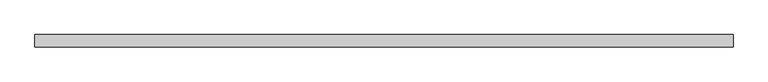
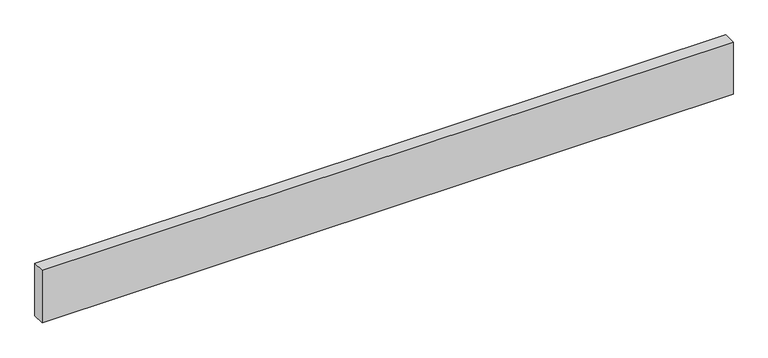
"""IFC4 building model written with IfcOpenShell, lengths in millimetres: beam geometry."""

from ifc_helpers import new_model, si_unit, frame, origin, place, context, project, spatial, polyline, outline, extrude, source, transform, mapped, element, save


def beam_13e977b5(model_context):
    return source(origin(), model_context, "Body", "SweptSolid", [
        extrude(outline(polyline([(-1250.0, 22.5), (1250.0, 22.5), (1250.0, -22.5), (-1250.0, -22.5), (-1250.0, 22.5)])), frame((0.0, 0.0, -100.0), z_axis=(0.0, 0.0, 1.0), x_axis=(1.0, 0.0, 0.0)), (0.0, 0.0, 1.0), 200.0),
    ])


if __name__ == "__main__":
    model = new_model("IFC4")
    model_context = context("Model", 3, world=origin())
    ifc_project = project(units=[si_unit("LENGTHUNIT", "METRE", prefix="MILLI")], contexts=[model_context])
    site = spatial("IfcSite", under=ifc_project)
    building = spatial("IfcBuilding", under=site)
    placement = place(None, origin())
    beam_shape = beam_13e977b5(model_context)
    element("IfcBeam", 1, at=placement, inside=building, context=model_context, shape_type="MappedRepresentation", body=[
        mapped(beam_shape, transform((0.0, 0.0, 0.0), x_axis=(1.0, 0.0, 0.0), y_axis=(0.0, 1.0, 0.0), z_axis=(0.0, 0.0, 1.0))),
    ])
    save(model, "model.ifc")
